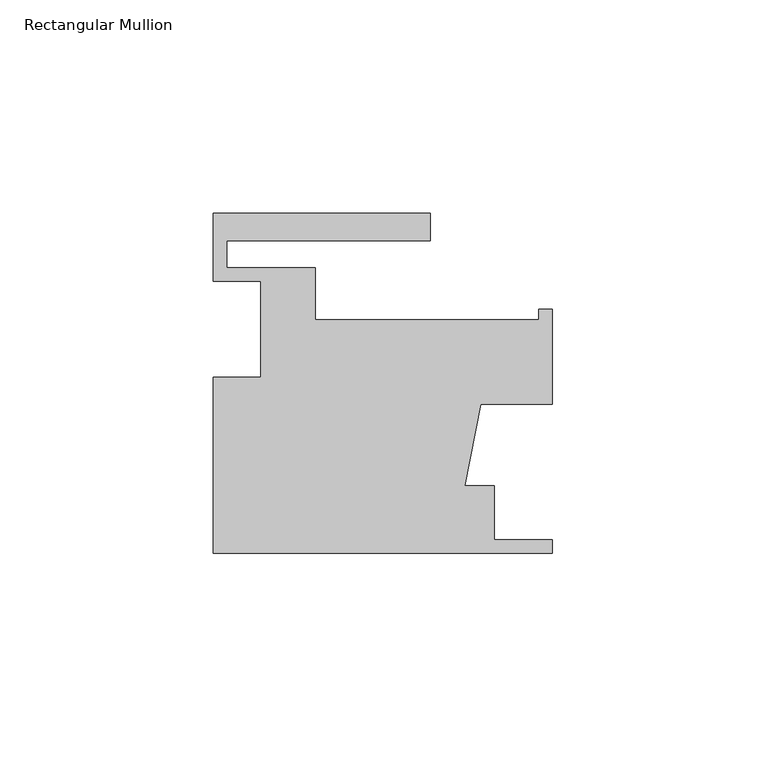
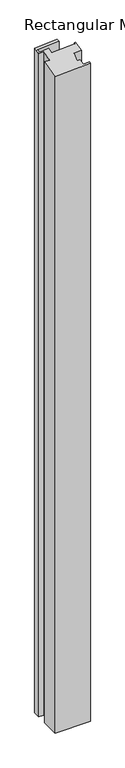
"""IFC4 building model written with IfcOpenShell, lengths in millimetres: member geometry, Rectangular Mullion."""

from ifc_helpers import new_model, si_unit, origin, place, context, project, spatial, faceted_brep, source, transform, mapped, element, save


def rectangular_mullion_63d65cdb(model_context):
    return source(origin(), model_context, "Body", "Brep", [
        faceted_brep([(-79.375, -41.3742187, -1577.7608989), (-79.375, -0.0992187, -1577.7608989), (-68.2498, -0.0992187, -1577.7608989), (-68.2498, 22.3797813, -1577.7608989), (-79.375, 22.3797813, -1577.7608989), (-79.375, 38.2547813, -1577.7608989), (-28.575, 38.2547813, -1577.7608989), (-28.575, 31.9047813, -1577.7608989), (-76.2, 31.9047813, -1577.7608989), (-76.2, 25.5547813, -1577.7608989), (-55.5498, 25.5547813, -1577.7608989), (-55.5498, 13.3881813, -1577.7608989), (-3.175, 13.3881813, -1577.7608989), (-3.175, 15.7757813, -1577.7608989), (0.0, 15.7757813, -1577.7608989), (0.0, -6.4492187, -1577.7608989), (-16.7868047, -6.4492187, -1577.7608989), (-20.4645725, -25.4992187, -1577.7608989), (-13.589, -25.4992187, -1577.7608989), (-13.589, -38.1992187, -1577.7608989), (0.0, -38.1992187, -1577.7608989), (0.0, -41.3742187, -1577.7608989), (0.0, -41.3742187, -10.7325429), (-79.375, -41.3742187, -16.0616298), (0.0, -38.1992187, -9.9089425), (-13.589, -38.1992187, -10.8212822), (-13.589, -25.4992187, -7.5268805), (-20.4645725, -25.4992187, -7.9884934), (-16.7868047, -6.4492187, -2.7999725), (0.0, -6.4492187, -1.6729383), (0.0, 15.7757813, 4.0922646), (-3.175, 15.7757813, 3.8791011), (-3.175, 13.3881813, 3.2597536), (-55.5498, 13.3881813, -0.2565911), (-55.5498, 25.5547813, 2.8994457), (-76.2, 25.5547813, 1.5130305), (-76.2, 31.9047813, 3.1602313), (-28.575, 31.9047813, 6.3576834), (-28.575, 38.2547813, 8.0048843), (-79.375, 38.2547813, 4.5942687), (-79.375, 22.3797813, 0.4762666), (-68.2498, 22.3797813, 1.2231914), (-68.2498, -0.0992187, -4.6078995), (-79.375, -0.0992187, -5.3548243)], [[[0, 1, 2, 3, 4, 5, 6, 7, 8, 9, 10, 11, 12, 13, 14, 15, 16, 17, 18, 19, 20, 21]], [[22, 23, 0, 21]], [[24, 22, 21, 20]], [[25, 24, 20, 19]], [[26, 25, 19, 18]], [[27, 26, 18, 17]], [[28, 27, 17, 16]], [[29, 28, 16, 15]], [[30, 29, 15, 14]], [[31, 30, 14, 13]], [[32, 31, 13, 12]], [[33, 32, 12, 11]], [[34, 33, 11, 10]], [[35, 34, 10, 9]], [[36, 35, 9, 8]], [[37, 36, 8, 7]], [[38, 37, 7, 6]], [[39, 38, 6, 5]], [[40, 39, 5, 4]], [[41, 40, 4, 3]], [[42, 41, 3, 2]], [[43, 42, 2, 1]], [[23, 43, 1, 0]], [[23, 22, 24, 25, 26, 27, 28, 29, 30, 31, 32, 33, 34, 35, 36, 37, 38, 39, 40, 41, 42, 43]]]),
    ])


if __name__ == "__main__":
    model = new_model("IFC4")
    model_context = context("Model", 3, world=origin())
    ifc_project = project(units=[si_unit("LENGTHUNIT", "METRE", prefix="MILLI")], contexts=[model_context])
    site = spatial("IfcSite", under=ifc_project)
    building = spatial("IfcBuilding", under=site)
    placement = place(None, origin())
    rectangular_mullion_shape = rectangular_mullion_63d65cdb(model_context)
    element("IfcMember", 1, ObjectType="Rectangular Mullion", at=placement, inside=building, context=model_context, shape_type="MappedRepresentation", body=[
        mapped(rectangular_mullion_shape, transform((0.0, 0.0, 0.0), x_axis=(1.0, 0.0, 0.0), y_axis=(0.0, 1.0, 0.0), z_axis=(0.0, 0.0, 1.0))),
    ])
    save(model, "model.ifc")
